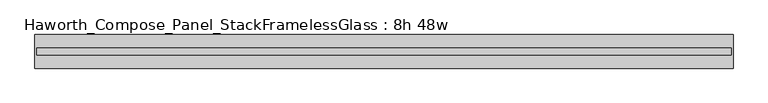
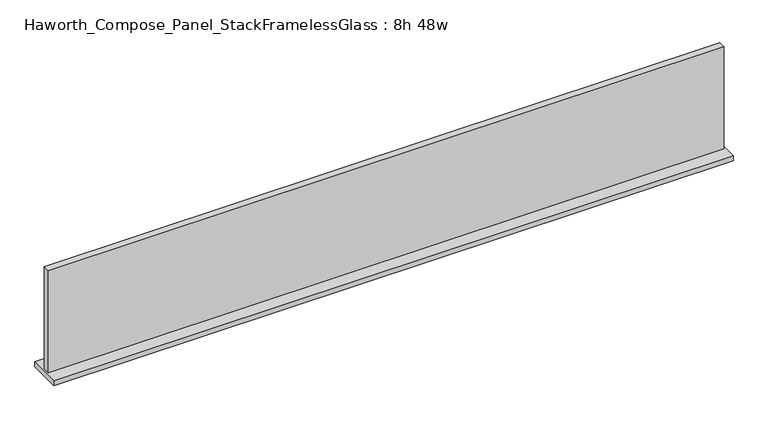
"""IFC4 building model written with IfcOpenShell, lengths in millimetres: furniture geometry, Haworth_Compose_Panel_StackFramelessGlass : 8h 48w."""

from ifc_helpers import new_model, si_unit, frame, origin, place, context, project, spatial, polyline, outline, extrude, source, transform, mapped, element, save


def haworth_compose_panel_stackframelessglass_8h_48w_5c0a2e01(model_context):
    return source(origin(), model_context, "Body", "SweptSolid", [
        extrude(outline(polyline([(608.8652902, -27.3093594), (-603.9847098, -27.3093594), (-603.9847098, -14.6093594), (608.8652902, -14.6093594), (608.8652902, -27.3093594)])), frame((0.0, 0.0, 1279.525), z_axis=(0.0, 0.0, 1.0), x_axis=(1.0, 0.0, 0.0)), (0.0, 0.0, 1.0), 193.675),
        extrude(outline(polyline([(-607.1597098, -50.3281094), (-607.1597098, 8.4093906), (612.0402902, 8.4093906), (612.0402902, -50.3281094), (-607.1597098, -50.3281094)])), frame((0.0, 0.0, 1270.0), z_axis=(0.0, 0.0, 1.0), x_axis=(1.0, 0.0, 0.0)), (0.0, 0.0, 1.0), 9.525),
    ])


if __name__ == "__main__":
    model = new_model("IFC4")
    model_context = context("Model", 3, world=origin())
    ifc_project = project(units=[si_unit("LENGTHUNIT", "METRE", prefix="MILLI")], contexts=[model_context])
    site = spatial("IfcSite", under=ifc_project)
    building = spatial("IfcBuilding", under=site)
    placement = place(None, origin())
    haworth_compose_panel_stackframelessglass_8h_48w_shape = haworth_compose_panel_stackframelessglass_8h_48w_5c0a2e01(model_context)
    element("IfcFurniture", 1, ObjectType="Haworth_Compose_Panel_StackFramelessGlass : 8h 48w", at=placement, inside=building, context=model_context, shape_type="MappedRepresentation", body=[
        mapped(haworth_compose_panel_stackframelessglass_8h_48w_shape, transform((0.0, 0.0, 0.0), x_axis=(1.0, 0.0, 0.0), y_axis=(0.0, 1.0, 0.0), z_axis=(0.0, 0.0, 1.0))),
    ])
    save(model, "model.ifc")
